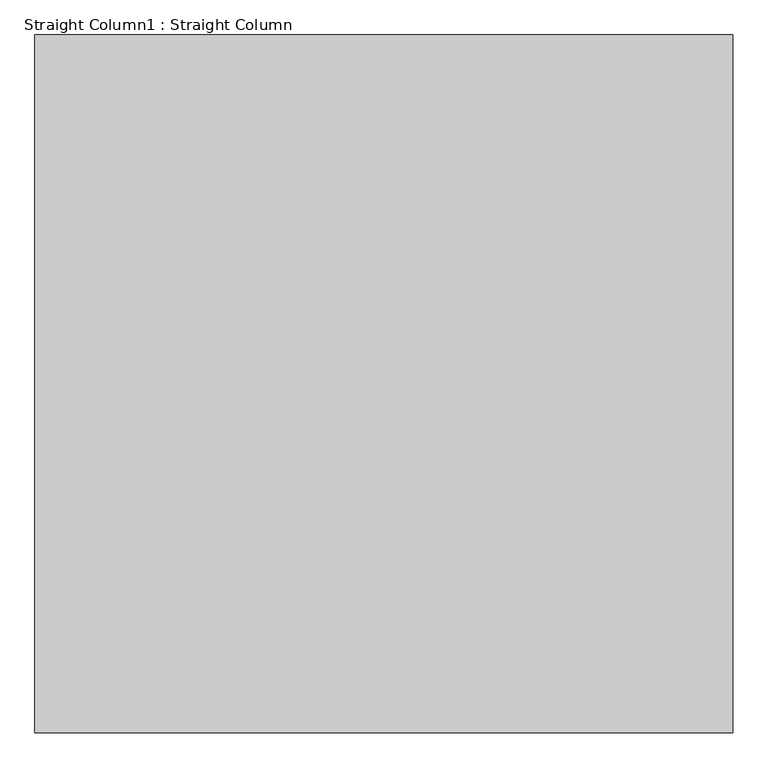
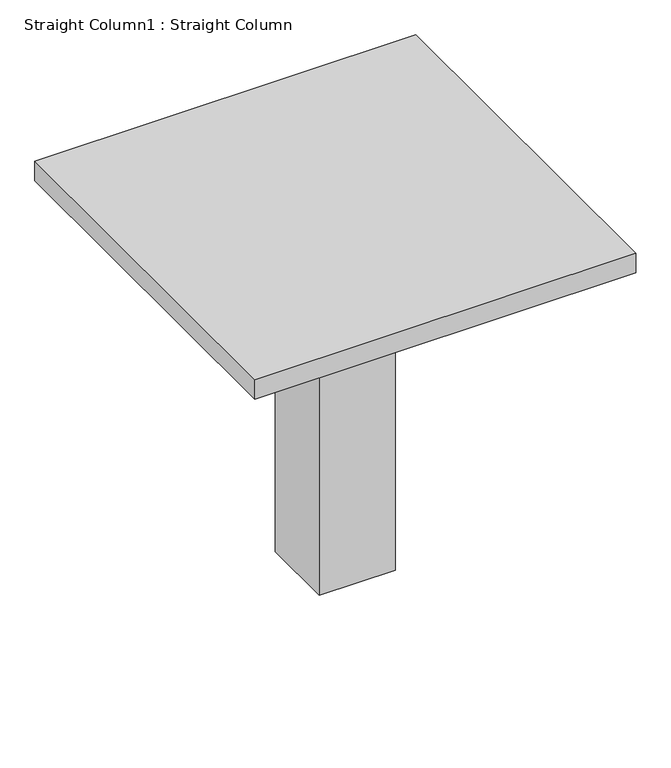
"""IFC4 building model written with IfcOpenShell, lengths in millimetres: column geometry, Straight Column1 : Straight Column."""

from ifc_helpers import new_model, si_unit, frame, origin, origin_with_axes, place, context, project, spatial, polyline, outline, extrude, source, transform, mapped, element, save


def straight_column1_straight_column_3dc86d90(model_context):
    return source(origin(), model_context, "Body", "SweptSolid", [
        extrude(outline(polyline([(11557.0015451, 28524.2000066), (11557.0015451, 25476.2000066), (8509.0015451, 25476.2000066), (8509.0015451, 28524.2000066), (11557.0015451, 28524.2000066)])), frame((0.0, 0.0, 2825.75), z_axis=(0.0, 0.0, 1.0), x_axis=(1.0, 0.0, 0.0)), (0.0, 0.0, 1.0), 165.1),
        extrude(outline(polyline([(10337.8, 27305.0000066), (10337.8, 26695.4000066), (9728.2, 26695.4000066), (9728.2, 27305.0000066), (10337.8, 27305.0000066)])), origin_with_axes(), (0.0, 0.0, 1.0), 2825.75),
    ])


if __name__ == "__main__":
    model = new_model("IFC4")
    model_context = context("Model", 3, world=origin())
    ifc_project = project(units=[si_unit("LENGTHUNIT", "METRE", prefix="MILLI")], contexts=[model_context])
    site = spatial("IfcSite", under=ifc_project)
    building = spatial("IfcBuilding", under=site)
    placement = place(None, origin())
    straight_column1_straight_column_shape = straight_column1_straight_column_3dc86d90(model_context)
    element("IfcColumn", 1, ObjectType="Straight Column1 : Straight Column", at=placement, inside=building, context=model_context, shape_type="MappedRepresentation", body=[
        mapped(straight_column1_straight_column_shape, transform((0.0, 0.0, 0.0), x_axis=(1.0, 0.0, 0.0), y_axis=(0.0, 1.0, 0.0), z_axis=(0.0, 0.0, 1.0))),
    ])
    save(model, "model.ifc")
